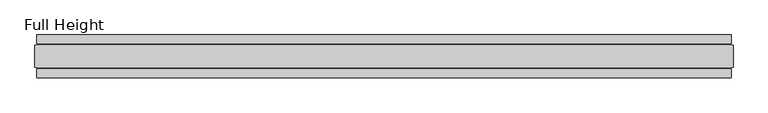
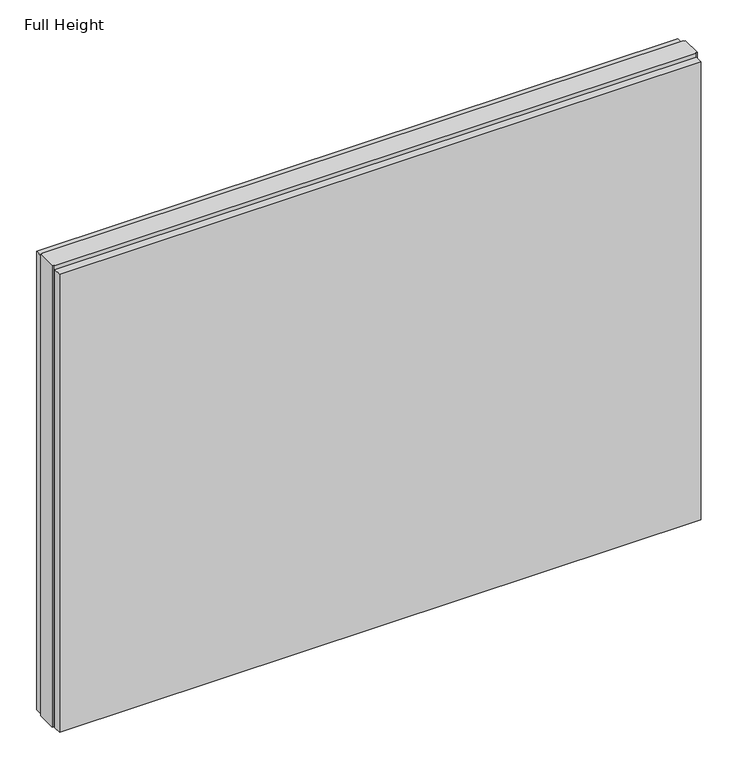
"""IFC4 building model written with IfcOpenShell, lengths in millimetres: plate geometry, Full Height."""

from ifc_helpers import new_model, si_unit, origin, origin_with_axes, place, context, project, spatial, polyline, outline, extrude, source, transform, mapped, element, save


def full_height_1f1f50e3(model_context):
    return source(origin(), model_context, "Body", "SweptSolid", [
        extrude(outline(polyline([(801.4285074, 28.956), (-801.4285074, 28.956), (-801.4285074, 49.53), (801.4285074, 49.53), (801.4285074, 28.956)])), origin_with_axes(), (0.0, 0.0, 1.0), 1210.056),
        extrude(outline(polyline([(801.4285074, -28.956), (801.4285074, -49.53), (-801.4285074, -49.53), (-801.4285074, -28.956), (801.4285074, -28.956)])), origin_with_axes(), (0.0, 0.0, 1.0), 1210.056),
        extrude(outline(polyline([(801.4285074, -25.146), (801.4285074, -26.67), (-801.4285074, -26.67), (-801.4285074, -25.146), (-806.0005074, -25.146), (-806.0005074, 25.146), (-801.4285074, 25.146), (-801.4285074, 26.67), (801.4285074, 26.67), (801.4285074, 25.146), (806.0005074, 25.146), (806.0005074, -25.146), (801.4285074, -25.146)])), origin_with_axes(), (0.0, 0.0, 1.0), 1219.2),
    ])


if __name__ == "__main__":
    model = new_model("IFC4")
    model_context = context("Model", 3, world=origin())
    ifc_project = project(units=[si_unit("LENGTHUNIT", "METRE", prefix="MILLI")], contexts=[model_context])
    site = spatial("IfcSite", under=ifc_project)
    building = spatial("IfcBuilding", under=site)
    placement = place(None, origin())
    full_height_shape = full_height_1f1f50e3(model_context)
    element("IfcPlate", 1, ObjectType="Full Height", at=placement, inside=building, context=model_context, shape_type="MappedRepresentation", body=[
        mapped(full_height_shape, transform((0.0, 0.0, 0.0), x_axis=(1.0, 0.0, 0.0), y_axis=(0.0, 1.0, 0.0), z_axis=(0.0, 0.0, 1.0))),
    ])
    save(model, "model.ifc")
